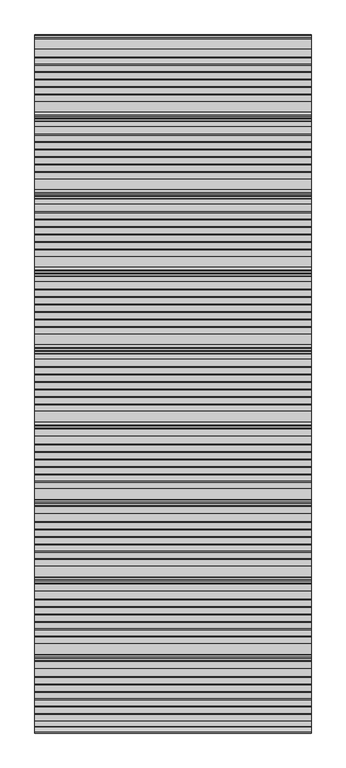
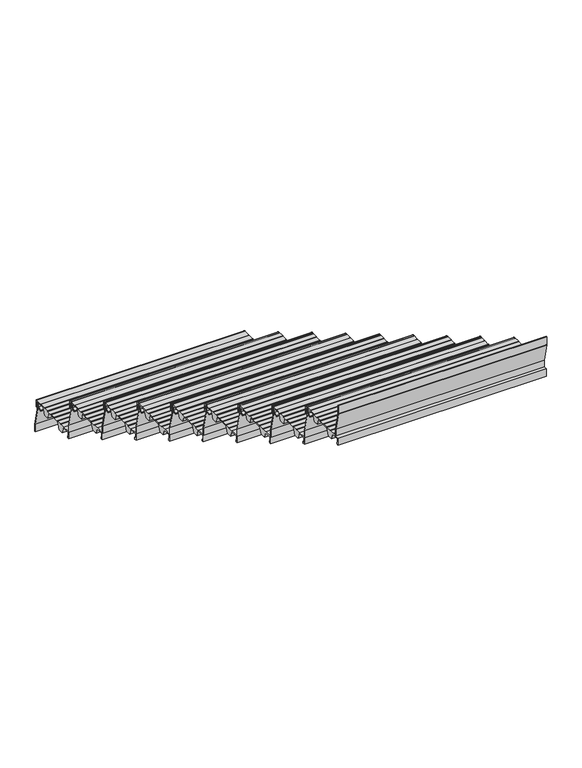
"""IFC4 building model written with IfcOpenShell, lengths in millimetres: stair flight geometry."""

from ifc_helpers import new_model, si_unit, point, frame, frame_2d, origin, place, context, project, spatial, polyline, circle_curve, trimmed, segment, composite_curve, outline, extrude, source, transform, mapped, element, save


def stair_flight_d2988957(model_context):
    return source(origin(), model_context, "Body", "SweptSolid", [
        extrude(outline(composite_curve([segment(polyline([(-10493.9543481, 2454.6255246), (-10482.1950555, 2463.7730431), (-10481.5863352, 2482.1121002), (-10498.6918101, 2482.1497993), (-10498.6918101, 2483.3256371), (-10519.2968571, 2483.2802252), (-10532.3695557, 2451.8853795), (-10557.2613358, 2451.8305199), (-10568.1854373, 2482.9835266), (-10638.8561525, 2482.8277739), (-10651.8500999, 2451.6220537), (-10676.74188, 2451.5671942), (-10687.4673614, 2482.1537825), (-10725.6889024, 2482.0695452), (-10725.6889024, 2460.7179675), (-10719.7889347, 2460.7309706), (-10719.7889347, 2451.4723219), (-10728.9832568, 2451.4520583), (-10728.9832568, 2487.3529412), (-10689.9967913, 2487.4388643), (-10689.9967913, 2485.5493441), (-10665.1489171, 2485.5493441), (-10665.1489171, 2487.4936271), (-10663.1143376, 2487.4936271), (-10663.1143376, 2485.5493441), (-10638.277169, 2485.5493441), (-10638.277169, 2487.4936271), (-10636.2425894, 2487.4936271), (-10636.2425894, 2485.5493441), (-10611.3960131, 2485.5493441), (-10611.3960131, 2487.4936271), (-10609.3614336, 2487.4936271), (-10609.3614336, 2485.5493441), (-10584.5148573, 2485.5493441), (-10584.5148573, 2487.4936271), (-10582.4802777, 2487.4936271), (-10582.4802777, 2485.5493441), (-10557.6337014, 2485.5493441), (-10557.6337014, 2487.4936271), (-10555.5991219, 2487.4936271), (-10555.5991219, 2485.5493441), (-10530.7525456, 2485.5493441), (-10530.7525456, 2487.4936271), (-10528.717966, 2487.4936271), (-10528.717966, 2485.90479), (-10498.6918101, 2485.9709653), (-10498.6918101, 2487.3529412), (-10463.9832568, 2487.3529412)]), True, "CONTINUOUS"), segment(trimmed(circle_curve(frame_2d((-10463.9832568, 2482.3529412)), 5.0), [point((-10463.9832568, 2487.3529412))], [point((-10458.9832568, 2482.3529412))], False, "CARTESIAN"), True, "CONTINUOUS"), segment(polyline([(-10458.9832568, 2482.3529412), (-10458.9832568, 2451.4723219), (-10468.1775789, 2451.4723219), (-10468.1775789, 2460.7309706), (-10462.2776112, 2460.7179675), (-10462.2776112, 2482.0695452), (-10479.0975213, 2482.106615), (-10479.7547193, 2462.3070603), (-10493.0405432, 2451.9720575), (-10497.3980683, 2451.9624539), (-10497.4039207, 2454.617922), (-10493.9543481, 2454.6255246)]), True, "CONTINUOUS")], self_intersect=False)), frame((-17519.2515248, 0.0, 0.0), z_axis=(1.0, 0.0, 0.0), x_axis=(0.0, 1.0, 0.0)), (0.0, 0.0, 1.0), 1000.0),
        extrude(outline(composite_curve([segment(polyline([(-10470.488594, 2487.3529412), (-10470.488594, 2445.5828252), (-10449.1102585, 2356.6185102)]), True, "CONTINUOUS"), segment(trimmed(circle_curve(frame_2d((-10453.5715586, 2355.5464492)), 4.5883018), [point((-10449.1102585, 2356.6185102))], [point((-10448.9832568, 2355.5464492))], False, "CARTESIAN"), True, "CONTINUOUS"), segment(polyline([(-10448.9832568, 2355.5464492), (-10448.9832568, 2319.8529412), (-10450.9835071, 2319.8529412), (-10450.9835071, 2355.8556971), (-10472.3824398, 2444.9057257)]), True, "CONTINUOUS"), segment(trimmed(circle_curve(frame_2d((-10468.6124568, 2445.8116616)), 3.8773048), [point((-10472.3824398, 2444.9057257))], [point((-10472.4888443, 2445.8959915))], False, "CARTESIAN"), True, "CONTINUOUS"), segment(polyline([(-10472.4888443, 2445.8959915), (-10472.4888443, 2487.3529412), (-10470.488594, 2487.3529412)]), True, "CONTINUOUS")], self_intersect=False)), frame((-17519.2515248, 0.0, 0.0), z_axis=(1.0, 0.0, 0.0), x_axis=(0.0, 1.0, 0.0)), (0.0, 0.0, 1.0), 1000.0),
        extrude(outline(composite_curve([segment(polyline([(-10750.488594, 2653.1764706), (-10750.488594, 2611.4063546), (-10729.1102585, 2522.4420396)]), True, "CONTINUOUS"), segment(trimmed(circle_curve(frame_2d((-10733.5715586, 2521.3699786)), 4.5883018), [point((-10729.1102585, 2522.4420396))], [point((-10728.9832568, 2521.3699786))], False, "CARTESIAN"), True, "CONTINUOUS"), segment(polyline([(-10728.9832568, 2521.3699786), (-10728.9832568, 2485.6764706), (-10730.9835071, 2485.6764706), (-10730.9835071, 2521.6792265), (-10752.3824398, 2610.7292551)]), True, "CONTINUOUS"), segment(trimmed(circle_curve(frame_2d((-10748.6124568, 2611.635191)), 3.8773048), [point((-10752.3824398, 2610.7292551))], [point((-10752.4888443, 2611.7195209))], False, "CARTESIAN"), True, "CONTINUOUS"), segment(polyline([(-10752.4888443, 2611.7195209), (-10752.4888443, 2653.1764706), (-10750.488594, 2653.1764706)]), True, "CONTINUOUS")], self_intersect=False)), frame((-17519.2515248, 0.0, 0.0), z_axis=(1.0, 0.0, 0.0), x_axis=(0.0, 1.0, 0.0)), (0.0, 0.0, 1.0), 1000.0),
        extrude(outline(composite_curve([segment(polyline([(-10773.9543481, 2620.449054), (-10762.1950555, 2629.5965725), (-10761.5863352, 2647.9356296), (-10778.6918101, 2647.9733287), (-10778.6918101, 2649.1491665), (-10799.2968571, 2649.1037546), (-10812.3695557, 2617.7089089), (-10837.2613358, 2617.6540494), (-10848.1854373, 2648.807056), (-10918.8561525, 2648.6513033), (-10931.8500999, 2617.4455831), (-10956.74188, 2617.3907236), (-10967.4673614, 2647.9773119), (-11005.6889024, 2647.8930747), (-11005.6889024, 2626.5414969), (-10999.7889347, 2626.5545), (-10999.7889347, 2617.2958513), (-11008.9832568, 2617.2755877), (-11008.9832568, 2653.1764706), (-10969.9967913, 2653.2623937), (-10969.9967913, 2651.3728736), (-10945.1489171, 2651.3728736), (-10945.1489171, 2653.3171565), (-10943.1143376, 2653.3171565), (-10943.1143376, 2651.3728736), (-10918.277169, 2651.3728736), (-10918.277169, 2653.3171565), (-10916.2425894, 2653.3171565), (-10916.2425894, 2651.3728736), (-10891.3960131, 2651.3728736), (-10891.3960131, 2653.3171565), (-10889.3614336, 2653.3171565), (-10889.3614336, 2651.3728736), (-10864.5148573, 2651.3728736), (-10864.5148573, 2653.3171565), (-10862.4802777, 2653.3171565), (-10862.4802777, 2651.3728736), (-10837.6337014, 2651.3728736), (-10837.6337014, 2653.3171565), (-10835.5991219, 2653.3171565), (-10835.5991219, 2651.3728736), (-10810.7525456, 2651.3728736), (-10810.7525456, 2653.3171565), (-10808.717966, 2653.3171565), (-10808.717966, 2651.7283194), (-10778.6918101, 2651.7944947), (-10778.6918101, 2653.1764706), (-10743.9832568, 2653.1764706)]), True, "CONTINUOUS"), segment(trimmed(circle_curve(frame_2d((-10743.9832568, 2648.1764706)), 5.0), [point((-10743.9832568, 2653.1764706))], [point((-10738.9832568, 2648.1764706))], False, "CARTESIAN"), True, "CONTINUOUS"), segment(polyline([(-10738.9832568, 2648.1764706), (-10738.9832568, 2617.2958513), (-10748.1775789, 2617.2958513), (-10748.1775789, 2626.5545), (-10742.2776112, 2626.5414969), (-10742.2776112, 2647.8930747), (-10759.0975213, 2647.9301444), (-10759.7547193, 2628.1305897), (-10773.0405432, 2617.7955869), (-10777.3980683, 2617.7859833), (-10777.4039207, 2620.4414514), (-10773.9543481, 2620.449054)]), True, "CONTINUOUS")], self_intersect=False)), frame((-17519.2515248, 0.0, 0.0), z_axis=(1.0, 0.0, 0.0), x_axis=(0.0, 1.0, 0.0)), (0.0, 0.0, 1.0), 1000.0),
        extrude(outline(composite_curve([segment(polyline([(-11030.488594, 2819.0), (-11030.488594, 2777.229884), (-11009.1102585, 2688.265569)]), True, "CONTINUOUS"), segment(trimmed(circle_curve(frame_2d((-11013.5715586, 2687.193508)), 4.5883018), [point((-11009.1102585, 2688.265569))], [point((-11008.9832568, 2687.193508))], False, "CARTESIAN"), True, "CONTINUOUS"), segment(polyline([(-11008.9832568, 2687.193508), (-11008.9832568, 2651.5), (-11010.9835071, 2651.5), (-11010.9835071, 2687.5027559), (-11032.3824398, 2776.5527846)]), True, "CONTINUOUS"), segment(trimmed(circle_curve(frame_2d((-11028.6124568, 2777.4587204)), 3.8773048), [point((-11032.3824398, 2776.5527846))], [point((-11032.4888443, 2777.5430503))], False, "CARTESIAN"), True, "CONTINUOUS"), segment(polyline([(-11032.4888443, 2777.5430503), (-11032.4888443, 2819.0), (-11030.488594, 2819.0)]), True, "CONTINUOUS")], self_intersect=False)), frame((-17519.2515248, 0.0, 0.0), z_axis=(1.0, 0.0, 0.0), x_axis=(0.0, 1.0, 0.0)), (0.0, 0.0, 1.0), 1000.0),
        extrude(outline(composite_curve([segment(polyline([(-11053.9543481, 2786.2725834), (-11042.1950555, 2795.4201019), (-11041.5863352, 2813.759159), (-11058.6918101, 2813.7968581), (-11058.6918101, 2814.9726959), (-11079.2968571, 2814.927284), (-11092.3695557, 2783.5324383), (-11117.2613358, 2783.4775788), (-11128.1854373, 2814.6305854), (-11198.8561525, 2814.4748327), (-11211.8500999, 2783.2691125), (-11236.74188, 2783.214253), (-11247.4673614, 2813.8008414), (-11285.6889024, 2813.7166041), (-11285.6889024, 2792.3650264), (-11279.7889347, 2792.3780294), (-11279.7889347, 2783.1193807), (-11288.9832568, 2783.0991171), (-11288.9832568, 2819.0), (-11249.9967913, 2819.0859231), (-11249.9967913, 2817.196403), (-11225.1489171, 2817.196403), (-11225.1489171, 2819.1406859), (-11223.1143376, 2819.1406859), (-11223.1143376, 2817.196403), (-11198.277169, 2817.196403), (-11198.277169, 2819.1406859), (-11196.2425894, 2819.1406859), (-11196.2425894, 2817.196403), (-11171.3960131, 2817.196403), (-11171.3960131, 2819.1406859), (-11169.3614336, 2819.1406859), (-11169.3614336, 2817.196403), (-11144.5148573, 2817.196403), (-11144.5148573, 2819.1406859), (-11142.4802777, 2819.1406859), (-11142.4802777, 2817.196403), (-11117.6337014, 2817.196403), (-11117.6337014, 2819.1406859), (-11115.5991219, 2819.1406859), (-11115.5991219, 2817.196403), (-11090.7525456, 2817.196403), (-11090.7525456, 2819.1406859), (-11088.717966, 2819.1406859), (-11088.717966, 2817.5518489), (-11058.6918101, 2817.6180241), (-11058.6918101, 2819.0), (-11023.9832568, 2819.0)]), True, "CONTINUOUS"), segment(trimmed(circle_curve(frame_2d((-11023.9832568, 2814.0)), 5.0), [point((-11023.9832568, 2819.0))], [point((-11018.9832568, 2814.0))], False, "CARTESIAN"), True, "CONTINUOUS"), segment(polyline([(-11018.9832568, 2814.0), (-11018.9832568, 2783.1193807), (-11028.1775789, 2783.1193807), (-11028.1775789, 2792.3780294), (-11022.2776112, 2792.3650264), (-11022.2776112, 2813.7166041), (-11039.0975213, 2813.7536738), (-11039.7547193, 2793.9541191), (-11053.0405432, 2783.6191164), (-11057.3980683, 2783.6095127), (-11057.4039207, 2786.2649808), (-11053.9543481, 2786.2725834)]), True, "CONTINUOUS")], self_intersect=False)), frame((-17519.2515248, 0.0, 0.0), z_axis=(1.0, 0.0, 0.0), x_axis=(0.0, 1.0, 0.0)), (0.0, 0.0, 1.0), 1000.0),
        extrude(outline(composite_curve([segment(polyline([(-11310.488594, 2984.8235294), (-11310.488594, 2943.0534134), (-11289.1102585, 2854.0890984)]), True, "CONTINUOUS"), segment(trimmed(circle_curve(frame_2d((-11293.5715586, 2853.0170374)), 4.5883018), [point((-11289.1102585, 2854.0890984))], [point((-11288.9832568, 2853.0170374))], False, "CARTESIAN"), True, "CONTINUOUS"), segment(polyline([(-11288.9832568, 2853.0170374), (-11288.9832568, 2817.3235294), (-11290.9835071, 2817.3235294), (-11290.9835071, 2853.3262853), (-11312.3824398, 2942.376314)]), True, "CONTINUOUS"), segment(trimmed(circle_curve(frame_2d((-11308.6124568, 2943.2822498)), 3.8773048), [point((-11312.3824398, 2942.376314))], [point((-11312.4888443, 2943.3665797))], False, "CARTESIAN"), True, "CONTINUOUS"), segment(polyline([(-11312.4888443, 2943.3665797), (-11312.4888443, 2984.8235294), (-11310.488594, 2984.8235294)]), True, "CONTINUOUS")], self_intersect=False)), frame((-17519.2515248, 0.0, 0.0), z_axis=(1.0, 0.0, 0.0), x_axis=(0.0, 1.0, 0.0)), (0.0, 0.0, 1.0), 1000.0),
        extrude(outline(composite_curve([segment(polyline([(-11333.9543481, 2952.0961128), (-11322.1950555, 2961.2436313), (-11321.5863352, 2979.5826884), (-11338.6918101, 2979.6203875), (-11338.6918101, 2980.7962253), (-11359.2968571, 2980.7508134), (-11372.3695557, 2949.3559677), (-11397.2613358, 2949.3011082), (-11408.1854373, 2980.4541148), (-11478.8561525, 2980.2983621), (-11491.8500999, 2949.092642), (-11516.74188, 2949.0377824), (-11527.4673614, 2979.6243708), (-11565.6889024, 2979.5401335), (-11565.6889024, 2958.1885558), (-11559.7889347, 2958.2015588), (-11559.7889347, 2948.9429101), (-11568.9832568, 2948.9226465), (-11568.9832568, 2984.8235294), (-11529.9967913, 2984.9094525), (-11529.9967913, 2983.0199324), (-11505.1489171, 2983.0199324), (-11505.1489171, 2984.9642153), (-11503.1143376, 2984.9642153), (-11503.1143376, 2983.0199324), (-11478.277169, 2983.0199324), (-11478.277169, 2984.9642153), (-11476.2425894, 2984.9642153), (-11476.2425894, 2983.0199324), (-11451.3960131, 2983.0199324), (-11451.3960131, 2984.9642153), (-11449.3614336, 2984.9642153), (-11449.3614336, 2983.0199324), (-11424.5148573, 2983.0199324), (-11424.5148573, 2984.9642153), (-11422.4802777, 2984.9642153), (-11422.4802777, 2983.0199324), (-11397.6337014, 2983.0199324), (-11397.6337014, 2984.9642153), (-11395.5991219, 2984.9642153), (-11395.5991219, 2983.0199324), (-11370.7525456, 2983.0199324), (-11370.7525456, 2984.9642153), (-11368.717966, 2984.9642153), (-11368.717966, 2983.3753783), (-11338.6918101, 2983.4415536), (-11338.6918101, 2984.8235294), (-11303.9832568, 2984.8235294)]), True, "CONTINUOUS"), segment(trimmed(circle_curve(frame_2d((-11303.9832568, 2979.8235294)), 5.0), [point((-11303.9832568, 2984.8235294))], [point((-11298.9832568, 2979.8235294))], False, "CARTESIAN"), True, "CONTINUOUS"), segment(polyline([(-11298.9832568, 2979.8235294), (-11298.9832568, 2948.9429101), (-11308.1775789, 2948.9429101), (-11308.1775789, 2958.2015588), (-11302.2776112, 2958.1885558), (-11302.2776112, 2979.5401335), (-11319.0975213, 2979.5772032), (-11319.7547193, 2959.7776485), (-11333.0405432, 2949.4426458), (-11337.3980683, 2949.4330421), (-11337.4039207, 2952.0885102), (-11333.9543481, 2952.0961128)]), True, "CONTINUOUS")], self_intersect=False)), frame((-17519.2515248, 0.0, 0.0), z_axis=(1.0, 0.0, 0.0), x_axis=(0.0, 1.0, 0.0)), (0.0, 0.0, 1.0), 1000.0),
        extrude(outline(composite_curve([segment(polyline([(-11590.488594, 3150.6470588), (-11590.488594, 3108.8769428), (-11569.1102585, 3019.9126278)]), True, "CONTINUOUS"), segment(trimmed(circle_curve(frame_2d((-11573.5715586, 3018.8405668)), 4.5883018), [point((-11569.1102585, 3019.9126278))], [point((-11568.9832568, 3018.8405668))], False, "CARTESIAN"), True, "CONTINUOUS"), segment(polyline([(-11568.9832568, 3018.8405668), (-11568.9832568, 2983.1470588), (-11570.9835071, 2983.1470588), (-11570.9835071, 3019.1498147), (-11592.3824398, 3108.1998434)]), True, "CONTINUOUS"), segment(trimmed(circle_curve(frame_2d((-11588.6124568, 3109.1057792)), 3.8773048), [point((-11592.3824398, 3108.1998434))], [point((-11592.4888443, 3109.1901091))], False, "CARTESIAN"), True, "CONTINUOUS"), segment(polyline([(-11592.4888443, 3109.1901091), (-11592.4888443, 3150.6470588), (-11590.488594, 3150.6470588)]), True, "CONTINUOUS")], self_intersect=False)), frame((-17519.2515248, 0.0, 0.0), z_axis=(1.0, 0.0, 0.0), x_axis=(0.0, 1.0, 0.0)), (0.0, 0.0, 1.0), 1000.0),
        extrude(outline(composite_curve([segment(polyline([(-11613.9543481, 3117.9196422), (-11602.1950555, 3127.0671607), (-11601.5863352, 3145.4062178), (-11618.6918101, 3145.4439169), (-11618.6918101, 3146.6197548), (-11639.2968571, 3146.5743428), (-11652.3695557, 3115.1794971), (-11677.2613358, 3115.1246376), (-11688.1854373, 3146.2776442), (-11758.8561525, 3146.1218915), (-11771.8500999, 3114.9161714), (-11796.74188, 3114.8613118), (-11807.4673614, 3145.4479002), (-11845.6889024, 3145.3636629), (-11845.6889024, 3124.0120852), (-11839.7889347, 3124.0250882), (-11839.7889347, 3114.7664395), (-11848.9832568, 3114.7461759), (-11848.9832568, 3150.6470588), (-11809.9967913, 3150.7329819), (-11809.9967913, 3148.8434618), (-11785.1489171, 3148.8434618), (-11785.1489171, 3150.7877447), (-11783.1143376, 3150.7877447), (-11783.1143376, 3148.8434618), (-11758.277169, 3148.8434618), (-11758.277169, 3150.7877447), (-11756.2425894, 3150.7877447), (-11756.2425894, 3148.8434618), (-11731.3960131, 3148.8434618), (-11731.3960131, 3150.7877447), (-11729.3614336, 3150.7877447), (-11729.3614336, 3148.8434618), (-11704.5148573, 3148.8434618), (-11704.5148573, 3150.7877447), (-11702.4802777, 3150.7877447), (-11702.4802777, 3148.8434618), (-11677.6337014, 3148.8434618), (-11677.6337014, 3150.7877447), (-11675.5991219, 3150.7877447), (-11675.5991219, 3148.8434618), (-11650.7525456, 3148.8434618), (-11650.7525456, 3150.7877447), (-11648.717966, 3150.7877447), (-11648.717966, 3149.1989077), (-11618.6918101, 3149.265083), (-11618.6918101, 3150.6470588), (-11583.9832568, 3150.6470588)]), True, "CONTINUOUS"), segment(trimmed(circle_curve(frame_2d((-11583.9832568, 3145.6470588)), 5.0), [point((-11583.9832568, 3150.6470588))], [point((-11578.9832568, 3145.6470588))], False, "CARTESIAN"), True, "CONTINUOUS"), segment(polyline([(-11578.9832568, 3145.6470588), (-11578.9832568, 3114.7664395), (-11588.1775789, 3114.7664395), (-11588.1775789, 3124.0250882), (-11582.2776112, 3124.0120852), (-11582.2776112, 3145.3636629), (-11599.0975213, 3145.4007327), (-11599.7547193, 3125.6011779), (-11613.0405432, 3115.2661752), (-11617.3980683, 3115.2565715), (-11617.4039207, 3117.9120396), (-11613.9543481, 3117.9196422)]), True, "CONTINUOUS")], self_intersect=False)), frame((-17519.2515248, 0.0, 0.0), z_axis=(1.0, 0.0, 0.0), x_axis=(0.0, 1.0, 0.0)), (0.0, 0.0, 1.0), 1000.0),
        extrude(outline(composite_curve([segment(polyline([(-11870.488594, 3316.4705882), (-11870.488594, 3274.7004722), (-11849.1102585, 3185.7361572)]), True, "CONTINUOUS"), segment(trimmed(circle_curve(frame_2d((-11853.5715586, 3184.6640963)), 4.5883018), [point((-11849.1102585, 3185.7361572))], [point((-11848.9832568, 3184.6640963))], False, "CARTESIAN"), True, "CONTINUOUS"), segment(polyline([(-11848.9832568, 3184.6640963), (-11848.9832568, 3148.9705882), (-11850.9835071, 3148.9705882), (-11850.9835071, 3184.9733441), (-11872.3824398, 3274.0233728)]), True, "CONTINUOUS"), segment(trimmed(circle_curve(frame_2d((-11868.6124568, 3274.9293087)), 3.8773048), [point((-11872.3824398, 3274.0233728))], [point((-11872.4888443, 3275.0136385))], False, "CARTESIAN"), True, "CONTINUOUS"), segment(polyline([(-11872.4888443, 3275.0136385), (-11872.4888443, 3316.4705882), (-11870.488594, 3316.4705882)]), True, "CONTINUOUS")], self_intersect=False)), frame((-17519.2515248, 0.0, 0.0), z_axis=(1.0, 0.0, 0.0), x_axis=(0.0, 1.0, 0.0)), (0.0, 0.0, 1.0), 1000.0),
        extrude(outline(composite_curve([segment(polyline([(-11893.9543481, 3283.7431716), (-11882.1950555, 3292.8906902), (-11881.5863352, 3311.2297472), (-11898.6918101, 3311.2674463), (-11898.6918101, 3312.4432842), (-11919.2968571, 3312.3978723), (-11932.3695557, 3281.0030265), (-11957.2613358, 3280.948167), (-11968.1854373, 3312.1011736), (-12038.8561525, 3311.9454209), (-12051.8500999, 3280.7397008), (-12076.74188, 3280.6848412), (-12087.4673614, 3311.2714296), (-12125.6889024, 3311.1871923), (-12125.6889024, 3289.8356146), (-12119.7889347, 3289.8486177), (-12119.7889347, 3280.5899689), (-12128.9832568, 3280.5697053), (-12128.9832568, 3316.4705882), (-12089.9967913, 3316.5565113), (-12089.9967913, 3314.6669912), (-12065.1489171, 3314.6669912), (-12065.1489171, 3316.6112741), (-12063.1143376, 3316.6112741), (-12063.1143376, 3314.6669912), (-12038.277169, 3314.6669912), (-12038.277169, 3316.6112741), (-12036.2425894, 3316.6112741), (-12036.2425894, 3314.6669912), (-12011.3960131, 3314.6669912), (-12011.3960131, 3316.6112741), (-12009.3614336, 3316.6112741), (-12009.3614336, 3314.6669912), (-11984.5148573, 3314.6669912), (-11984.5148573, 3316.6112741), (-11982.4802777, 3316.6112741), (-11982.4802777, 3314.6669912), (-11957.6337014, 3314.6669912), (-11957.6337014, 3316.6112741), (-11955.5991219, 3316.6112741), (-11955.5991219, 3314.6669912), (-11930.7525456, 3314.6669912), (-11930.7525456, 3316.6112741), (-11928.717966, 3316.6112741), (-11928.717966, 3315.0224371), (-11898.6918101, 3315.0886124), (-11898.6918101, 3316.4705882), (-11863.9832568, 3316.4705882)]), True, "CONTINUOUS"), segment(trimmed(circle_curve(frame_2d((-11863.9832568, 3311.4705882)), 5.0), [point((-11863.9832568, 3316.4705882))], [point((-11858.9832568, 3311.4705882))], False, "CARTESIAN"), True, "CONTINUOUS"), segment(polyline([(-11858.9832568, 3311.4705882), (-11858.9832568, 3280.5899689), (-11868.1775789, 3280.5899689), (-11868.1775789, 3289.8486177), (-11862.2776112, 3289.8356146), (-11862.2776112, 3311.1871923), (-11879.0975213, 3311.2242621), (-11879.7547193, 3291.4247073), (-11893.0405432, 3281.0897046), (-11897.3980683, 3281.080101), (-11897.4039207, 3283.735569), (-11893.9543481, 3283.7431716)]), True, "CONTINUOUS")], self_intersect=False)), frame((-17519.2515248, 0.0, 0.0), z_axis=(1.0, 0.0, 0.0), x_axis=(0.0, 1.0, 0.0)), (0.0, 0.0, 1.0), 1000.0),
        extrude(outline(composite_curve([segment(polyline([(-12150.488594, 3482.2941176), (-12150.488594, 3440.5240017), (-12129.1102585, 3351.5596866)]), True, "CONTINUOUS"), segment(trimmed(circle_curve(frame_2d((-12133.5715586, 3350.4876257)), 4.5883018), [point((-12129.1102585, 3351.5596866))], [point((-12128.9832568, 3350.4876257))], False, "CARTESIAN"), True, "CONTINUOUS"), segment(polyline([(-12128.9832568, 3350.4876257), (-12128.9832568, 3314.7941176), (-12130.9835071, 3314.7941176), (-12130.9835071, 3350.7968735), (-12152.3824398, 3439.8469022)]), True, "CONTINUOUS"), segment(trimmed(circle_curve(frame_2d((-12148.6124568, 3440.7528381)), 3.8773048), [point((-12152.3824398, 3439.8469022))], [point((-12152.4888443, 3440.8371679))], False, "CARTESIAN"), True, "CONTINUOUS"), segment(polyline([(-12152.4888443, 3440.8371679), (-12152.4888443, 3482.2941176), (-12150.488594, 3482.2941176)]), True, "CONTINUOUS")], self_intersect=False)), frame((-17519.2515248, 0.0, 0.0), z_axis=(1.0, 0.0, 0.0), x_axis=(0.0, 1.0, 0.0)), (0.0, 0.0, 1.0), 1000.0),
        extrude(outline(composite_curve([segment(polyline([(-12173.9543481, 3449.566701), (-12162.1950555, 3458.7142196), (-12161.5863352, 3477.0532766), (-12178.6918101, 3477.0909758), (-12178.6918101, 3478.2668136), (-12199.2968571, 3478.2214017), (-12212.3695557, 3446.8265559), (-12237.2613358, 3446.7716964), (-12248.1854373, 3477.9247031), (-12318.8561525, 3477.7689503), (-12331.8500999, 3446.5632302), (-12356.74188, 3446.5083707), (-12367.4673614, 3477.094959), (-12405.6889024, 3477.0107217), (-12405.6889024, 3455.659144), (-12399.7889347, 3455.6721471), (-12399.7889347, 3446.4134983), (-12408.9832568, 3446.3932348), (-12408.9832568, 3482.2941176), (-12369.9967913, 3482.3800408), (-12369.9967913, 3480.4905206), (-12345.1489171, 3480.4905206), (-12345.1489171, 3482.4348035), (-12343.1143376, 3482.4348035), (-12343.1143376, 3480.4905206), (-12318.277169, 3480.4905206), (-12318.277169, 3482.4348035), (-12316.2425894, 3482.4348035), (-12316.2425894, 3480.4905206), (-12291.3960131, 3480.4905206), (-12291.3960131, 3482.4348035), (-12289.3614336, 3482.4348035), (-12289.3614336, 3480.4905206), (-12264.5148573, 3480.4905206), (-12264.5148573, 3482.4348035), (-12262.4802777, 3482.4348035), (-12262.4802777, 3480.4905206), (-12237.6337014, 3480.4905206), (-12237.6337014, 3482.4348035), (-12235.5991219, 3482.4348035), (-12235.5991219, 3480.4905206), (-12210.7525456, 3480.4905206), (-12210.7525456, 3482.4348035), (-12208.717966, 3482.4348035), (-12208.717966, 3480.8459665), (-12178.6918101, 3480.9121418), (-12178.6918101, 3482.2941176), (-12143.9832568, 3482.2941176)]), True, "CONTINUOUS"), segment(trimmed(circle_curve(frame_2d((-12143.9832568, 3477.2941176)), 5.0), [point((-12143.9832568, 3482.2941176))], [point((-12138.9832568, 3477.2941176))], False, "CARTESIAN"), True, "CONTINUOUS"), segment(polyline([(-12138.9832568, 3477.2941176), (-12138.9832568, 3446.4134983), (-12148.1775789, 3446.4134983), (-12148.1775789, 3455.6721471), (-12142.2776112, 3455.659144), (-12142.2776112, 3477.0107217), (-12159.0975213, 3477.0477915), (-12159.7547193, 3457.2482367), (-12173.0405432, 3446.913234), (-12177.3980683, 3446.9036304), (-12177.4039207, 3449.5590984), (-12173.9543481, 3449.566701)]), True, "CONTINUOUS")], self_intersect=False)), frame((-17519.2515248, 0.0, 0.0), z_axis=(1.0, 0.0, 0.0), x_axis=(0.0, 1.0, 0.0)), (0.0, 0.0, 1.0), 1000.0),
        extrude(outline(composite_curve([segment(polyline([(-12430.488594, 3648.1176471), (-12430.488594, 3606.3475311), (-12409.1102585, 3517.3832161)]), True, "CONTINUOUS"), segment(trimmed(circle_curve(frame_2d((-12413.5715586, 3516.3111551)), 4.5883018), [point((-12409.1102585, 3517.3832161))], [point((-12408.9832568, 3516.3111551))], False, "CARTESIAN"), True, "CONTINUOUS"), segment(polyline([(-12408.9832568, 3516.3111551), (-12408.9832568, 3480.6176471), (-12410.9835071, 3480.6176471), (-12410.9835071, 3516.620403), (-12432.3824398, 3605.6704316)]), True, "CONTINUOUS"), segment(trimmed(circle_curve(frame_2d((-12428.6124568, 3606.5763675)), 3.8773048), [point((-12432.3824398, 3605.6704316))], [point((-12432.4888443, 3606.6606973))], False, "CARTESIAN"), True, "CONTINUOUS"), segment(polyline([(-12432.4888443, 3606.6606973), (-12432.4888443, 3648.1176471), (-12430.488594, 3648.1176471)]), True, "CONTINUOUS")], self_intersect=False)), frame((-17519.2515248, 0.0, 0.0), z_axis=(1.0, 0.0, 0.0), x_axis=(0.0, 1.0, 0.0)), (0.0, 0.0, 1.0), 1000.0),
        extrude(outline(composite_curve([segment(polyline([(-12453.9543481, 3615.3902304), (-12442.1950555, 3624.537749), (-12441.5863352, 3642.876806), (-12458.6918101, 3642.9145052), (-12458.6918101, 3644.090343), (-12479.2968571, 3644.0449311), (-12492.3695557, 3612.6500854), (-12517.2613358, 3612.5952258), (-12528.1854373, 3643.7482325), (-12598.8561525, 3643.5924798), (-12611.8500999, 3612.3867596), (-12636.74188, 3612.3319001), (-12647.4673614, 3642.9184884), (-12685.6889024, 3642.8342511), (-12685.6889024, 3621.4826734), (-12679.7889347, 3621.4956765), (-12679.7889347, 3612.2370277), (-12688.9832568, 3612.2167642), (-12688.9832568, 3648.1176471), (-12649.9967913, 3648.2035702), (-12649.9967913, 3646.31405), (-12625.1489171, 3646.31405), (-12625.1489171, 3648.2583329), (-12623.1143376, 3648.2583329), (-12623.1143376, 3646.31405), (-12598.277169, 3646.31405), (-12598.277169, 3648.2583329), (-12596.2425894, 3648.2583329), (-12596.2425894, 3646.31405), (-12571.3960131, 3646.31405), (-12571.3960131, 3648.2583329), (-12569.3614336, 3648.2583329), (-12569.3614336, 3646.31405), (-12544.5148573, 3646.31405), (-12544.5148573, 3648.2583329), (-12542.4802777, 3648.2583329), (-12542.4802777, 3646.31405), (-12517.6337014, 3646.31405), (-12517.6337014, 3648.2583329), (-12515.5991219, 3648.2583329), (-12515.5991219, 3646.31405), (-12490.7525456, 3646.31405), (-12490.7525456, 3648.2583329), (-12488.717966, 3648.2583329), (-12488.717966, 3646.6694959), (-12458.6918101, 3646.7356712), (-12458.6918101, 3648.1176471), (-12423.9832568, 3648.1176471)]), True, "CONTINUOUS"), segment(trimmed(circle_curve(frame_2d((-12423.9832568, 3643.1176471)), 5.0), [point((-12423.9832568, 3648.1176471))], [point((-12418.9832568, 3643.1176471))], False, "CARTESIAN"), True, "CONTINUOUS"), segment(polyline([(-12418.9832568, 3643.1176471), (-12418.9832568, 3612.2370277), (-12428.1775789, 3612.2370277), (-12428.1775789, 3621.4956765), (-12422.2776112, 3621.4826734), (-12422.2776112, 3642.8342511), (-12439.0975213, 3642.8713209), (-12439.7547193, 3623.0717661), (-12453.0405432, 3612.7367634), (-12457.3980683, 3612.7271598), (-12457.4039207, 3615.3826279), (-12453.9543481, 3615.3902304)]), True, "CONTINUOUS")], self_intersect=False)), frame((-17519.2515248, 0.0, 0.0), z_axis=(1.0, 0.0, 0.0), x_axis=(0.0, 1.0, 0.0)), (0.0, 0.0, 1.0), 1000.0),
        extrude(outline(composite_curve([segment(polyline([(-12970.488594, 3979.7647059), (-12970.488594, 3937.9945899), (-12949.1102585, 3849.0302749)]), True, "CONTINUOUS"), segment(trimmed(circle_curve(frame_2d((-12953.5715586, 3847.9582139)), 4.5883018), [point((-12949.1102585, 3849.0302749))], [point((-12948.9832568, 3847.9582139))], False, "CARTESIAN"), True, "CONTINUOUS"), segment(polyline([(-12948.9832568, 3847.9582139), (-12948.9832568, 3812.2647059), (-12950.9835071, 3812.2647059), (-12950.9835071, 3848.2674618), (-12972.3824398, 3937.3174904)]), True, "CONTINUOUS"), segment(trimmed(circle_curve(frame_2d((-12968.6124568, 3938.2234263)), 3.8773048), [point((-12972.3824398, 3937.3174904))], [point((-12972.4888443, 3938.3077562))], False, "CARTESIAN"), True, "CONTINUOUS"), segment(polyline([(-12972.4888443, 3938.3077562), (-12972.4888443, 3979.7647059), (-12970.488594, 3979.7647059)]), True, "CONTINUOUS")], self_intersect=False)), frame((-17519.2515248, 0.0, 0.0), z_axis=(1.0, 0.0, 0.0), x_axis=(0.0, 1.0, 0.0)), (0.0, 0.0, 1.0), 1000.0),
        extrude(outline(composite_curve([segment(polyline([(-12710.488594, 3813.9411765), (-12710.488594, 3772.1710605), (-12689.1102585, 3683.2067455)]), True, "CONTINUOUS"), segment(trimmed(circle_curve(frame_2d((-12693.5715586, 3682.1346845)), 4.5883018), [point((-12689.1102585, 3683.2067455))], [point((-12688.9832568, 3682.1346845))], False, "CARTESIAN"), True, "CONTINUOUS"), segment(polyline([(-12688.9832568, 3682.1346845), (-12688.9832568, 3646.4411765), (-12690.9835071, 3646.4411765), (-12690.9835071, 3682.4439324), (-12712.3824398, 3771.493961)]), True, "CONTINUOUS"), segment(trimmed(circle_curve(frame_2d((-12708.6124568, 3772.3998969)), 3.8773048), [point((-12712.3824398, 3771.493961))], [point((-12712.4888443, 3772.4842267))], False, "CARTESIAN"), True, "CONTINUOUS"), segment(polyline([(-12712.4888443, 3772.4842267), (-12712.4888443, 3813.9411765), (-12710.488594, 3813.9411765)]), True, "CONTINUOUS")], self_intersect=False)), frame((-17519.2515248, 0.0, 0.0), z_axis=(1.0, 0.0, 0.0), x_axis=(0.0, 1.0, 0.0)), (0.0, 0.0, 1.0), 1000.0),
        extrude(outline(composite_curve([segment(polyline([(-12733.9543481, 3781.2137599), (-12722.1950555, 3790.3612784), (-12721.5863352, 3808.7003355), (-12738.6918101, 3808.7380346), (-12738.6918101, 3809.9138724), (-12759.2968571, 3809.8684605), (-12772.3695557, 3778.4736148), (-12797.2613358, 3778.4187552), (-12808.1854373, 3809.5717619), (-12878.8561525, 3809.4160092), (-12891.8500999, 3778.210289), (-12916.74188, 3778.1554295), (-12927.4673614, 3808.7420178), (-12965.6889024, 3808.6577805), (-12965.6889024, 3787.3062028), (-12959.7889347, 3787.3192059), (-12959.7889347, 3778.0605571), (-12968.9832568, 3778.0402936), (-12968.9832568, 3813.9411765), (-12929.9967913, 3814.0270996), (-12929.9967913, 3812.1375794), (-12905.1489171, 3812.1375794), (-12905.1489171, 3814.0818624), (-12903.1143376, 3814.0818624), (-12903.1143376, 3812.1375794), (-12878.277169, 3812.1375794), (-12878.277169, 3814.0818624), (-12876.2425894, 3814.0818624), (-12876.2425894, 3812.1375794), (-12851.3960131, 3812.1375794), (-12851.3960131, 3814.0818624), (-12849.3614336, 3814.0818624), (-12849.3614336, 3812.1375794), (-12824.5148573, 3812.1375794), (-12824.5148573, 3814.0818624), (-12822.4802777, 3814.0818624), (-12822.4802777, 3812.1375794), (-12797.6337014, 3812.1375794), (-12797.6337014, 3814.0818624), (-12795.5991219, 3814.0818624), (-12795.5991219, 3812.1375794), (-12770.7525456, 3812.1375794), (-12770.7525456, 3814.0818624), (-12768.717966, 3814.0818624), (-12768.717966, 3812.4930253), (-12738.6918101, 3812.5592006), (-12738.6918101, 3813.9411765), (-12703.9832568, 3813.9411765)]), True, "CONTINUOUS"), segment(trimmed(circle_curve(frame_2d((-12703.9832568, 3808.9411765)), 5.0), [point((-12703.9832568, 3813.9411765))], [point((-12698.9832568, 3808.9411765))], False, "CARTESIAN"), True, "CONTINUOUS"), segment(polyline([(-12698.9832568, 3808.9411765), (-12698.9832568, 3778.0605571), (-12708.1775789, 3778.0605571), (-12708.1775789, 3787.3192059), (-12702.2776112, 3787.3062028), (-12702.2776112, 3808.6577805), (-12719.0975213, 3808.6948503), (-12719.7547193, 3788.8952956), (-12733.0405432, 3778.5602928), (-12737.3980683, 3778.5506892), (-12737.4039207, 3781.2061573), (-12733.9543481, 3781.2137599)]), True, "CONTINUOUS")], self_intersect=False)), frame((-17519.2515248, 0.0, 0.0), z_axis=(1.0, 0.0, 0.0), x_axis=(0.0, 1.0, 0.0)), (0.0, 0.0, 1.0), 1000.0),
    ])


if __name__ == "__main__":
    model = new_model("IFC4")
    model_context = context("Model", 3, world=origin())
    ifc_project = project(units=[si_unit("LENGTHUNIT", "METRE", prefix="MILLI")], contexts=[model_context])
    site = spatial("IfcSite", under=ifc_project)
    building = spatial("IfcBuilding", under=site)
    placement = place(None, origin())
    stair_flight_shape = stair_flight_d2988957(model_context)
    element("IfcStairFlight", 1, at=placement, inside=building, context=model_context, shape_type="MappedRepresentation", body=[
        mapped(stair_flight_shape, transform((0.0, 0.0, 0.0), x_axis=(1.0, 0.0, 0.0), y_axis=(0.0, 1.0, 0.0), z_axis=(0.0, 0.0, 1.0))),
    ])
    save(model, "model.ifc")
